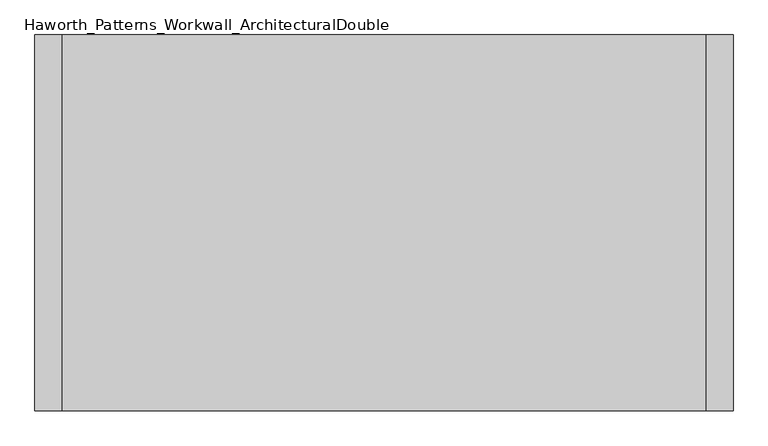
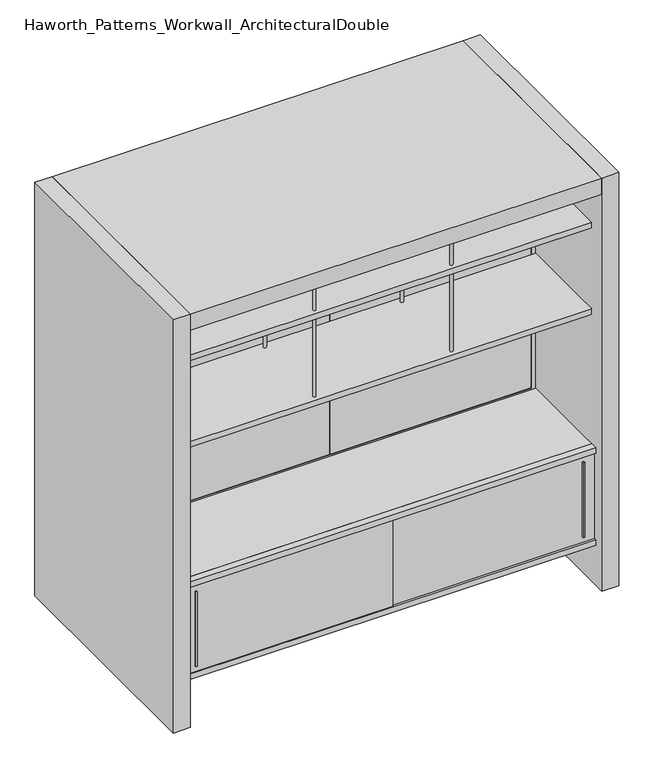
"""IFC4 building model written with IfcOpenShell, lengths in millimetres: furniture geometry, Haworth_Patterns_Workwall_ArchitecturalDouble."""

from ifc_helpers import new_model, si_unit, point, frame, frame_2d, origin, origin_with_axes, place, context, project, spatial, polyline, circle_curve, trimmed, segment, composite_curve, outline, extrude, source, transform, mapped, element, save


def haworth_patterns_workwall_architecturaldouble_3afea6eb(model_context):
    return source(origin(), model_context, "Body", "SweptSolid", [
        extrude(outline(polyline([(-609.6, 333.375), (-1524.0, 333.375), (-1524.0, 352.425), (-609.6, 352.425), (-609.6, 333.375)])), frame((0.0, 0.0, 635.0), z_axis=(0.0, 0.0, 1.0), x_axis=(1.0, 0.0, 0.0)), (0.0, 0.0, 1.0), 1231.9),
        extrude(outline(polyline([(304.8, 333.375), (-609.6, 333.375), (-609.6, 352.425), (304.8, 352.425), (304.8, 333.375)])), frame((0.0, 0.0, 635.0), z_axis=(0.0, 0.0, 1.0), x_axis=(1.0, 0.0, 0.0)), (0.0, 0.0, 1.0), 1231.9),
        extrude(outline(composite_curve([segment(trimmed(circle_curve(frame_2d((-304.8, -76.2)), 6.35), [point((-311.15, -76.2))], [point((-298.45, -76.2))], False, "CARTESIAN"), True, "CONTINUOUS"), segment(trimmed(circle_curve(frame_2d((-304.8, -76.2)), 6.35), [point((-298.45, -76.2))], [point((-311.15, -76.2))], False, "CARTESIAN"), True, "CONTINUOUS")], self_intersect=False)), frame((0.0, 0.0, 1282.7), z_axis=(0.0, 0.0, 1.0), x_axis=(1.0, 0.0, 0.0)), (0.0, 0.0, 1.0), 381.0),
        extrude(outline(composite_curve([segment(trimmed(circle_curve(frame_2d((-304.8, 304.8)), 6.35), [point((-311.15, 304.8))], [point((-298.45, 304.8))], False, "CARTESIAN"), True, "CONTINUOUS"), segment(trimmed(circle_curve(frame_2d((-304.8, 304.8)), 6.35), [point((-298.45, 304.8))], [point((-311.15, 304.8))], False, "CARTESIAN"), True, "CONTINUOUS")], self_intersect=False)), frame((0.0, 0.0, 1282.7), z_axis=(0.0, 0.0, 1.0), x_axis=(1.0, 0.0, 0.0)), (0.0, 0.0, 1.0), 381.0),
        extrude(outline(composite_curve([segment(trimmed(circle_curve(frame_2d((-914.4, -76.2)), 6.35), [point((-920.75, -76.2))], [point((-908.05, -76.2))], False, "CARTESIAN"), True, "CONTINUOUS"), segment(trimmed(circle_curve(frame_2d((-914.4, -76.2)), 6.35), [point((-908.05, -76.2))], [point((-920.75, -76.2))], False, "CARTESIAN"), True, "CONTINUOUS")], self_intersect=False)), frame((0.0, 0.0, 1282.7), z_axis=(0.0, 0.0, 1.0), x_axis=(1.0, 0.0, 0.0)), (0.0, 0.0, 1.0), 381.0),
        extrude(outline(composite_curve([segment(trimmed(circle_curve(frame_2d((-914.4, 304.8)), 6.35), [point((-920.75, 304.8))], [point((-908.05, 304.8))], False, "CARTESIAN"), True, "CONTINUOUS"), segment(trimmed(circle_curve(frame_2d((-914.4, 304.8)), 6.35), [point((-908.05, 304.8))], [point((-920.75, 304.8))], False, "CARTESIAN"), True, "CONTINUOUS")], self_intersect=False)), frame((0.0, 0.0, 1282.7), z_axis=(0.0, 0.0, 1.0), x_axis=(1.0, 0.0, 0.0)), (0.0, 0.0, 1.0), 381.0),
        extrude(outline(polyline([(304.8, 330.2), (304.8, -101.6), (-1524.0, -101.6), (-1524.0, 330.2), (304.8, 330.2)])), frame((0.0, 0.0, 1257.3), z_axis=(0.0, 0.0, 1.0), x_axis=(1.0, 0.0, 0.0)), (0.0, 0.0, 1.0), 25.4),
        extrude(outline(polyline([(257.1750004, -130.1749879), (250.8249996, -130.1749879), (249.2375011, -117.475), (258.7624989, -117.475), (257.1750004, -130.1749879)])), frame((0.0, 0.0, 242.8875), z_axis=(0.0, 0.0, 1.0), x_axis=(1.0, 0.0, 0.0)), (0.0, 0.0, 1.0), 352.425),
        extrude(outline(polyline([(-1470.0249996, -136.5249879), (-1476.3750004, -136.5249879), (-1477.9624989, -123.825), (-1468.4375011, -123.825), (-1470.0249996, -136.5249879)])), frame((0.0, 0.0, 242.8875), z_axis=(0.0, 0.0, 1.0), x_axis=(1.0, 0.0, 0.0)), (0.0, 0.0, 1.0), 352.425),
        extrude(outline(polyline([(304.8, -101.6), (304.8, -133.35), (-1524.0, -133.35), (-1524.0, -101.6), (304.8, -101.6)])), frame((0.0, 0.0, 190.5), z_axis=(0.0, 0.0, 1.0), x_axis=(1.0, 0.0, 0.0)), (0.0, 0.0, 1.0), 25.4),
        extrude(outline(polyline([(304.8, -101.6), (304.8, -133.35), (-1524.0, -133.35), (-1524.0, -101.6), (304.8, -101.6)])), frame((0.0, 0.0, 622.3), z_axis=(0.0, 0.0, 1.0), x_axis=(1.0, 0.0, 0.0)), (0.0, 0.0, 1.0), 25.4),
        extrude(outline(polyline([(-1524.0, -123.825), (-596.9, -123.825), (-596.9, -130.175), (-1524.0, -130.175), (-1524.0, -123.825)])), frame((0.0, 0.0, 215.9), z_axis=(0.0, 0.0, 1.0), x_axis=(1.0, 0.0, 0.0)), (0.0, 0.0, 1.0), 406.4),
        extrude(outline(polyline([(-622.3, -117.475), (304.8, -117.475), (304.8, -123.825), (-622.3, -123.825), (-622.3, -117.475)])), frame((0.0, 0.0, 215.9), z_axis=(0.0, 0.0, 1.0), x_axis=(1.0, 0.0, 0.0)), (0.0, 0.0, 1.0), 406.4),
        extrude(outline(polyline([(-295.275, -101.6), (-314.325, -101.6), (-314.325, 330.2), (-295.275, 330.2), (-295.275, -101.6)])), frame((0.0, 0.0, 215.9), z_axis=(0.0, 0.0, 1.0), x_axis=(1.0, 0.0, 0.0)), (0.0, 0.0, 1.0), 406.4),
        extrude(outline(polyline([(-904.875, -101.6), (-923.925, -101.6), (-923.925, 330.2), (-904.875, 330.2), (-904.875, -101.6)])), frame((0.0, 0.0, 215.9), z_axis=(0.0, 0.0, 1.0), x_axis=(1.0, 0.0, 0.0)), (0.0, 0.0, 1.0), 406.4),
        extrude(outline(polyline([(304.8, 330.2), (304.8, -101.6), (-1524.0, -101.6), (-1524.0, 330.2), (304.8, 330.2)])), frame((0.0, 0.0, 622.3), z_axis=(0.0, 0.0, 1.0), x_axis=(1.0, 0.0, 0.0)), (0.0, 0.0, 1.0), 25.4),
        extrude(outline(polyline([(-101.6, 215.9), (330.2, 215.9), (330.2, 190.5), (123.825, 190.5), (123.825, 0.0), (104.775, 0.0), (104.775, 190.5), (-101.6, 190.5), (-101.6, 215.9)])), frame((-1524.0, 0.0, 0.0), z_axis=(1.0, 0.0, 0.0), x_axis=(0.0, 1.0, 0.0)), (0.0, 0.0, 1.0), 1828.8),
        extrude(outline(composite_curve([segment(trimmed(circle_curve(frame_2d((-304.8, -76.2)), 6.35), [point((-311.15, -76.2))], [point((-298.45, -76.2))], False, "CARTESIAN"), True, "CONTINUOUS"), segment(trimmed(circle_curve(frame_2d((-304.8, -76.2)), 6.35), [point((-298.45, -76.2))], [point((-311.15, -76.2))], False, "CARTESIAN"), True, "CONTINUOUS")], self_intersect=False)), frame((0.0, 0.0, 1689.1), z_axis=(0.0, 0.0, 1.0), x_axis=(1.0, 0.0, 0.0)), (0.0, 0.0, 1.0), 177.8),
        extrude(outline(composite_curve([segment(trimmed(circle_curve(frame_2d((-304.8, 304.8)), 6.35), [point((-311.15, 304.8))], [point((-298.45, 304.8))], False, "CARTESIAN"), True, "CONTINUOUS"), segment(trimmed(circle_curve(frame_2d((-304.8, 304.8)), 6.35), [point((-298.45, 304.8))], [point((-311.15, 304.8))], False, "CARTESIAN"), True, "CONTINUOUS")], self_intersect=False)), frame((0.0, 0.0, 1689.1), z_axis=(0.0, 0.0, 1.0), x_axis=(1.0, 0.0, 0.0)), (0.0, 0.0, 1.0), 177.8),
        extrude(outline(composite_curve([segment(trimmed(circle_curve(frame_2d((-914.4, -76.2)), 6.35), [point((-920.75, -76.2))], [point((-908.05, -76.2))], False, "CARTESIAN"), True, "CONTINUOUS"), segment(trimmed(circle_curve(frame_2d((-914.4, -76.2)), 6.35), [point((-908.05, -76.2))], [point((-920.75, -76.2))], False, "CARTESIAN"), True, "CONTINUOUS")], self_intersect=False)), frame((0.0, 0.0, 1689.1), z_axis=(0.0, 0.0, 1.0), x_axis=(1.0, 0.0, 0.0)), (0.0, 0.0, 1.0), 177.8),
        extrude(outline(composite_curve([segment(trimmed(circle_curve(frame_2d((-914.4, 304.8)), 6.35), [point((-920.75, 304.8))], [point((-908.05, 304.8))], False, "CARTESIAN"), True, "CONTINUOUS"), segment(trimmed(circle_curve(frame_2d((-914.4, 304.8)), 6.35), [point((-908.05, 304.8))], [point((-920.75, 304.8))], False, "CARTESIAN"), True, "CONTINUOUS")], self_intersect=False)), frame((0.0, 0.0, 1689.1), z_axis=(0.0, 0.0, 1.0), x_axis=(1.0, 0.0, 0.0)), (0.0, 0.0, 1.0), 177.8),
        extrude(outline(polyline([(304.8, 330.2), (304.8, -101.6), (-1524.0, -101.6), (-1524.0, 330.2), (304.8, 330.2)])), frame((0.0, 0.0, 1663.7), z_axis=(0.0, 0.0, 1.0), x_axis=(1.0, 0.0, 0.0)), (0.0, 0.0, 1.0), 25.4),
        extrude(outline(polyline([(-1524.0, 889.0), (-1524.0, -177.8), (-1600.2, -177.8), (-1600.2, 889.0), (-1524.0, 889.0)])), origin_with_axes(), (0.0, 0.0, 1.0), 1943.1),
        extrude(outline(polyline([(381.0, -177.8), (304.8, -177.8), (304.8, 889.0), (381.0, 889.0), (381.0, -177.8)])), origin_with_axes(), (0.0, 0.0, 1.0), 1943.1),
        extrude(outline(polyline([(1866.9, 304.8), (1866.9, -1524.0), (635.0, -1524.0), (635.0, 304.8), (1866.9, 304.8)]), holes=[polyline([(1847.85, 285.75), (654.05, 285.75), (654.05, -1504.95), (1847.85, -1504.95), (1847.85, 285.75)])]), frame((0.0, 330.2, 0.0), z_axis=(0.0, 1.0, 0.0), x_axis=(0.0, 0.0, 1.0)), (0.0, 0.0, 1.0), 25.4),
        extrude(outline(polyline([(285.75, 330.2), (-1504.95, 330.2), (-1504.95, 355.6), (285.75, 355.6), (285.75, 330.2)])), frame((0.0, 0.0, 114.3), z_axis=(0.0, 0.0, 1.0), x_axis=(1.0, 0.0, 0.0)), (0.0, 0.0, 1.0), 495.3),
        extrude(outline(polyline([(635.0, 304.8), (635.0, -1524.0), (0.0, -1524.0), (0.0, 304.8), (635.0, 304.8)]), holes=[polyline([(609.6, 285.75), (114.3, 285.75), (114.3, -1504.95), (609.6, -1504.95), (609.6, 285.75)])]), frame((0.0, 330.2, 0.0), z_axis=(0.0, 1.0, 0.0), x_axis=(0.0, 0.0, 1.0)), (0.0, 0.0, 1.0), 25.4),
        extrude(outline(polyline([(304.8, -177.8), (-1524.0, -177.8), (-1524.0, 889.0), (304.8, 889.0), (304.8, -177.8)])), frame((0.0, 0.0, 1866.9), z_axis=(0.0, 0.0, 1.0), x_axis=(1.0, 0.0, 0.0)), (0.0, 0.0, 1.0), 76.2),
    ])


if __name__ == "__main__":
    model = new_model("IFC4")
    model_context = context("Model", 3, world=origin())
    ifc_project = project(units=[si_unit("LENGTHUNIT", "METRE", prefix="MILLI")], contexts=[model_context])
    site = spatial("IfcSite", under=ifc_project)
    building = spatial("IfcBuilding", under=site)
    placement = place(None, origin())
    haworth_patterns_workwall_architecturaldouble_shape = haworth_patterns_workwall_architecturaldouble_3afea6eb(model_context)
    element("IfcFurniture", 1, ObjectType="Haworth_Patterns_Workwall_ArchitecturalDouble", at=placement, inside=building, context=model_context, shape_type="MappedRepresentation", body=[
        mapped(haworth_patterns_workwall_architecturaldouble_shape, transform((0.0, 0.0, 0.0), x_axis=(1.0, 0.0, 0.0), y_axis=(0.0, 1.0, 0.0), z_axis=(0.0, 0.0, 1.0))),
    ])
    save(model, "model.ifc")
